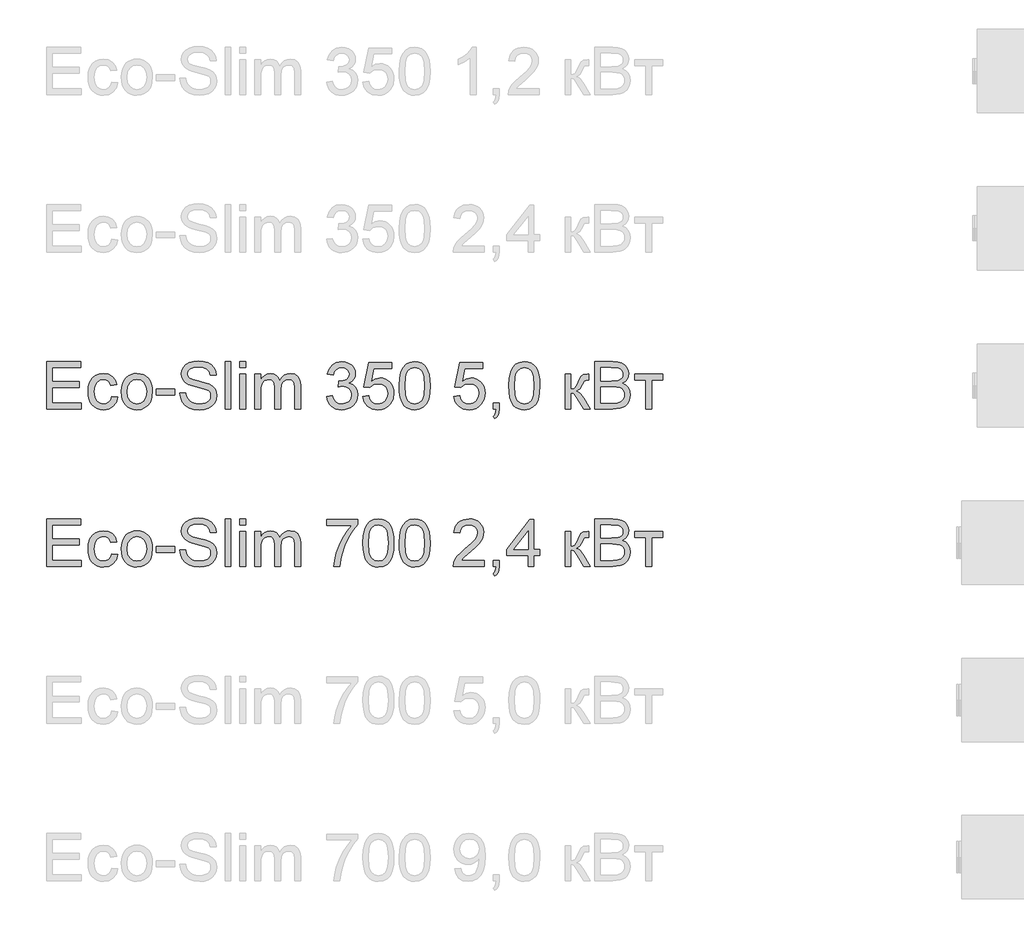
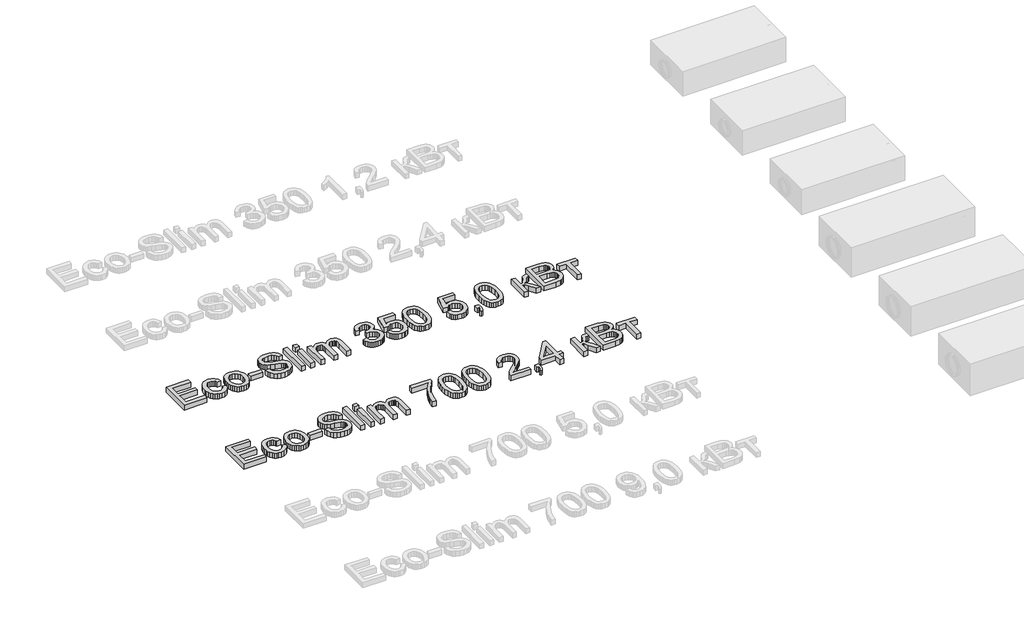
# One storey, part 40 of 74: 2 proxies.
"""IFC4 building model written with IfcOpenShell, lengths in millimetres."""

import ifcopenshell
import ifcopenshell.guid

model = None  # the IFC model being written
_history = None  # IfcOwnerHistory: only IFC2X3 demands one
_inside = {}  # id of a spatial element -> (the spatial element, [elements in it])
_under = {}  # id of a project, library or spatial element -> (it, [spatial elements below it])
_declared = {}  # id of a project -> (the project, [libraries it declares])
_typed = {}  # id of a type object -> (the type object, [elements of that type])
_made_of = {}  # id of a material, layer set ... -> (it, [elements and type objects made of it])


def new_model(schema):
    """Start an empty IFC model of exactly this schema.

    Asked for "IFC4X3", IfcOpenShell would pick the latest addendum, in which some entities
    have other attributes; the version numbers below select the first issue.
    IFC2X3 requires an IfcOwnerHistory on every rooted entity: one is made here for all.
    """
    global model, _history
    if schema == "IFC4X3":
        model = ifcopenshell.file(schema_version=(4, 3, 0, 0))
    else:
        model = ifcopenshell.file(schema=schema)
    _inside.clear()
    _under.clear()
    _declared.clear()
    _typed.clear()
    _made_of.clear()
    _history = None
    if model.schema == "IFC2X3":
        org = make("IfcOrganization", Name="unknown")
        user = make(
            "IfcPersonAndOrganization",
            ThePerson=make("IfcPerson", FamilyName="unknown"),
            TheOrganization=org,
        )
        app = make(
            "IfcApplication",
            ApplicationDeveloper=org,
            Version="unknown",
            ApplicationFullName="unknown",
            ApplicationIdentifier="unknown",
        )
        _history = make(
            "IfcOwnerHistory",
            OwningUser=user,
            OwningApplication=app,
            ChangeAction="ADDED",
            CreationDate=0,
        )
    return model


def make(cls, **values):
    """One entity of the class cls with the attributes given. An attribute that is None is left unset."""
    return model.create_entity(
        cls, **{name: value for name, value in values.items() if value is not None}
    )


def rooted(cls, **values):
    """An entity with a GlobalId (a new one), such as an element, a storey or a relation."""
    return make(cls, GlobalId=ifcopenshell.guid.new(), OwnerHistory=_history, **values)


def si_unit(unit_type, name, prefix=None):
    """IfcSIUnit, for example si_unit("LENGTHUNIT", "METRE", prefix="MILLI")."""
    return make("IfcSIUnit", UnitType=unit_type, Prefix=prefix, Name=name)


def assignment(units):
    """IfcUnitAssignment: the units of a project."""
    return None if units is None else make("IfcUnitAssignment", Units=units)


def point(xyz):
    """IfcCartesianPoint."""
    return None if xyz is None else make("IfcCartesianPoint", Coordinates=xyz)


def direction(xyz):
    """IfcDirection."""
    return None if xyz is None else make("IfcDirection", DirectionRatios=xyz)


def frame(location, z_axis=None, x_axis=None):
    """IfcAxis2Placement3D, a coordinate frame: its origin and axes. An axis left out is left unset."""
    return make(
        "IfcAxis2Placement3D",
        Location=point(location),
        Axis=direction(z_axis),
        RefDirection=direction(x_axis),
    )


def origin():
    """The frame at (0, 0, 0) with its axes left unset."""
    return frame((0.0, 0.0, 0.0))


def origin_with_axes():
    """The frame at (0, 0, 0) with the z axis (0, 0, 1) and the x axis (1, 0, 0) written out."""
    return frame((0.0, 0.0, 0.0), z_axis=(0.0, 0.0, 1.0), x_axis=(1.0, 0.0, 0.0))


def place(relative_to, where):
    """IfcLocalPlacement: puts the frame where relative to a parent placement (None: the world)."""
    return make(
        "IfcLocalPlacement", PlacementRelTo=relative_to, RelativePlacement=where
    )


def context(
    kind, dimensions, precision=None, world=None, true_north=None, identifier=None
):
    """IfcGeometricRepresentationContext, for example the 3D "Model" context."""
    return make(
        "IfcGeometricRepresentationContext",
        ContextIdentifier=identifier,
        ContextType=kind,
        CoordinateSpaceDimension=dimensions,
        Precision=precision,
        WorldCoordinateSystem=world,
        TrueNorth=true_north,
    )


def project(units=None, contexts=None):
    """IfcProject with its units and contexts."""
    return rooted(
        "IfcProject",
        Name="project",
        RepresentationContexts=contexts,
        UnitsInContext=assignment(units),
    )


def spatial(cls, under=None, at=None, **own):
    """A site, building, storey or space (cls), placed at a placement, below another one or the project."""
    s = rooted(cls, ObjectPlacement=at, **own)
    if under is not None:
        _under.setdefault(under.id(), (under, []))[1].append(s)
    return s


def polyline(points):
    """IfcPolyline through the points."""
    return make("IfcPolyline", Points=[point(p) for p in points])


def outline(outer, holes=None, kind="AREA"):
    """IfcArbitraryClosedProfileDef: a profile drawn as a closed curve; with holes, ...WithVoids."""
    if holes is None:
        return make("IfcArbitraryClosedProfileDef", ProfileType=kind, OuterCurve=outer)
    return make(
        "IfcArbitraryProfileDefWithVoids",
        ProfileType=kind,
        OuterCurve=outer,
        InnerCurves=holes,
    )


def extrude(swept, where, along, depth):
    """IfcExtrudedAreaSolid: the profile swept, set in the frame where, extruded along a direction by depth."""
    return make(
        "IfcExtrudedAreaSolid",
        SweptArea=swept,
        Position=where,
        ExtrudedDirection=direction(along),
        Depth=depth,
    )


def shape(context_of_items, identifier, shape_type, items):
    """IfcShapeRepresentation: the items that make up one representation, for example the "Body"."""
    return make(
        "IfcShapeRepresentation",
        ContextOfItems=context_of_items,
        RepresentationIdentifier=identifier,
        RepresentationType=shape_type,
        Items=items,
    )


def made_of(thing, what):
    """Note that an element or type object is made of a material, layer set ...; save() writes the relation."""
    if what is not None:
        _made_of.setdefault(what.id(), (what, []))[1].append(thing)
    return thing


def element(
    cls,
    number,
    at=None,
    inside=None,
    cuts=None,
    type_object=None,
    material=None,
    context=None,
    identifier="Body",
    shape_type=None,
    held_by="IfcProductDefinitionShape",
    body=None,
    shapes=None,
    **own,
):
    """One element of the class cls, such as IfcWall. Its Tag is "e" and its number.

    at: its placement. inside: the storey or other place that contains it. cuts: it is an
    opening in that element (IfcRelVoidsElement). A single representation is given by context,
    identifier, shape_type and body (its items); several are given by shapes. held_by: the class
    of the entity that holds the representations. save() writes the other relations.
    """
    e = rooted(cls, Tag="e%d" % number, ObjectPlacement=at, **own)
    if body is not None:
        shapes = [shape(context, identifier, shape_type, body)]
    if shapes is not None:
        e.Representation = make(held_by, Representations=shapes)
    if inside is not None:
        _inside.setdefault(inside.id(), (inside, []))[1].append(e)
    if cuts is not None:
        rooted(
            "IfcRelVoidsElement", RelatingBuildingElement=cuts, RelatedOpeningElement=e
        )
    if type_object is not None:
        _typed.setdefault(type_object.id(), (type_object, []))[1].append(e)
    return made_of(e, material)


def aggregate(whole, parts):
    """IfcRelAggregates: a whole, such as a stair, and the parts it consists of."""
    return rooted("IfcRelAggregates", RelatingObject=whole, RelatedObjects=parts)


def save(model, path):
    """Write the relations noted so far, then the file.

    IfcRelAggregates (storeys below a building ...), IfcRelContainedInSpatialStructure (elements
    in a storey), IfcRelDefinesByType, IfcRelAssociatesMaterial and IfcRelDeclares: one each for
    every whole, place, type object, material and project.
    """
    for whole, parts in _under.values():
        aggregate(whole, parts)
    for where, things in _inside.values():
        rooted(
            "IfcRelContainedInSpatialStructure",
            RelatedElements=things,
            RelatingStructure=where,
        )
    for kind, things in _typed.values():
        rooted("IfcRelDefinesByType", RelatedObjects=things, RelatingType=kind)
    for what, things in _made_of.values():
        rooted("IfcRelAssociatesMaterial", RelatedObjects=things, RelatingMaterial=what)
    for by, libraries in _declared.values():
        rooted("IfcRelDeclares", RelatingContext=by, RelatedDefinitions=libraries)
    model.write(path)


model = new_model("IFC4")

# Units and contexts
model_context = context("Model", 3, world=origin())
ifc_project = project(units=[si_unit("LENGTHUNIT", "METRE", prefix="MILLI")], contexts=[model_context])

# Site, building, storey
site = spatial("IfcSite", under=ifc_project)
building = spatial("IfcBuilding", under=site)
storey = spatial("IfcBuildingStorey", under=building, Elevation=0.0)

# Proxies
placement = place(None, origin())
element("IfcBuildingElementProxy", 1, Name="Generic Models", at=placement, inside=storey, context=model_context, shape_type="SweptSolid", body=[
    extrude(outline(polyline([(23043.6869869, -5906.2904473), (23043.6869869, -5604.9215169), (23260.2959057, -5604.9215169), (23260.2959057, -5642.5926332), (23081.3581032, -5642.5926332), (23081.3581032, -5732.0615344), (23250.8781266, -5732.0615344), (23250.8781266, -5769.7326507), (23081.3581032, -5769.7326507), (23081.3581032, -5868.619331), (23265.0047952, -5868.619331), (23265.0047952, -5906.2904473), (23043.6869869, -5906.2904473)])), origin_with_axes(), (0.0, 0.0, 1.0), 50.0),
    extrude(outline(polyline([(23458.0692663, -5826.2393252), (23495.7403826, -5830.9482147), (23485.2373516, -5864.4530674), (23465.5004826, -5889.7725458), (23438.3875796, -5905.6926391), (23405.7564466, -5910.9993369), (23384.6285237, -5909.1484306), (23365.6849003, -5903.5957117), (23348.9255761, -5894.3411803), (23334.3505513, -5881.3848363), (23322.5530356, -5864.9704015), (23314.1262386, -5845.3415978), (23309.0701605, -5822.4984252), (23307.3848011, -5796.4408836), (23310.2634777, -5762.9176368), (23318.8995075, -5733.8641562), (23333.4308463, -5710.402482), (23353.9954499, -5693.6546541), (23378.5975583, -5683.6114757), (23405.2414118, -5680.2637495), (23437.0724014, -5684.8622744), (23462.5206384, -5698.6578493), (23480.7767824, -5720.91471), (23491.0314931, -5750.8970926), (23453.3603768, -5755.6059821), (23446.5269687, -5739.170854), (23435.885982, -5727.3894331), (23422.0260278, -5720.2985076), (23405.5357174, -5717.9348658), (23381.1911264, -5722.588573), (23361.8681246, -5736.5496948), (23349.2589692, -5760.5723891), (23345.0559174, -5795.410814), (23349.1669987, -5830.7182885), (23361.5002426, -5854.8237562), (23380.4737565, -5868.7021045), (23404.5056478, -5873.3282206), (23424.0125906, -5870.4403469), (23440.0062603, -5861.7767259), (23451.6405284, -5847.1166284), (23458.0692663, -5826.2393252)])), origin_with_axes(), (0.0, 0.0, 1.0), 50.0),
    extrude(outline(polyline([(23519.2848303, -5795.6315432), (23521.3219768, -5766.9689372), (23527.4334165, -5742.2702598), (23537.6191492, -5721.5355108), (23551.8791751, -5704.7646904), (23566.2357699, -5694.0455287), (23582.0822869, -5686.3889847), (23599.4187259, -5681.7950583), (23618.245087, -5680.2637495), (23639.0281205, -5682.1284514), (23657.8199926, -5687.722557), (23674.6207035, -5697.0460663), (23689.4302531, -5710.0989793), (23701.5174759, -5726.4398377), (23710.1512064, -5745.627183), (23715.3314448, -5767.6610152), (23717.0581909, -5792.5413344), (23714.0047703, -5830.5987268), (23704.8445087, -5859.569434), (23689.8441203, -5881.2652746), (23669.2703197, -5897.4980677), (23644.8337582, -5907.6240196), (23618.245087, -5910.9993369), (23597.1585509, -5909.1415328), (23578.1919348, -5903.5681206), (23561.3452387, -5894.2791002), (23546.6184625, -5881.2744717), (23534.6599984, -5864.7749642), (23526.1182384, -5845.0013069), (23520.9931823, -5821.9534999), (23519.2848303, -5795.6315432)]), holes=[polyline([(23556.9559466, -5795.5579668), (23561.3153482, -5829.6514307), (23574.3935532, -5853.9408394), (23594.0752399, -5868.4813753), (23618.245087, -5873.3282206), (23642.3045695, -5868.4537841), (23661.949468, -5853.8304748), (23675.027673, -5829.2191694), (23679.3870746, -5794.3807444), (23675.0000818, -5761.2805619), (23661.8391034, -5737.322247), (23642.1666137, -5722.7817111), (23618.245087, -5717.9348658), (23594.0752399, -5722.763317), (23574.3935532, -5737.2486706), (23561.3153482, -5761.482897), (23556.9559466, -5795.5579668)])]), origin_with_axes(), (0.0, 0.0, 1.0), 50.0),
    extrude(outline(polyline([(23740.6026386, -5816.8215461), (23740.6026386, -5779.1504298), (23858.324877, -5779.1504298), (23858.324877, -5816.8215461), (23740.6026386, -5816.8215461)])), origin_with_axes(), (0.0, 0.0, 1.0), 50.0),
    extrude(outline(polyline([(23891.2871038, -5802.6948775), (23928.9582201, -5802.6948775), (23933.2808336, -5823.5997719), (23941.098326, -5840.402782), (23953.2936141, -5853.7385043), (23970.7496148, -5864.2415353), (23992.0867705, -5871.0565493), (24015.9255238, -5873.3282206), (24036.9131916, -5871.6083722), (24055.2888973, -5866.4488273), (24070.178921, -5858.281847), (24080.7095431, -5847.5396927), (24086.9727341, -5835.2064488), (24089.0604644, -5822.2661996), (24087.4969659, -5809.6570443), (24082.8064705, -5798.7585402), (24073.2783268, -5789.4603227), (24057.2018836, -5781.6520274), (24002.3506782, -5767.2678414), (23966.3442279, -5757.7488947), (23943.3056179, -5748.6898006), (23924.5528332, -5736.0162659), (23911.2630962, -5720.6571926), (23903.3444362, -5702.9436745), (23900.7048829, -5683.2068055), (23903.9698356, -5661.1430828), (23913.7646937, -5640.5692822), (23929.8319399, -5623.1316757), (23951.9140566, -5610.476535), (23978.4199544, -5602.7786043), (24007.7585435, -5600.2126274), (24039.5435479, -5602.8981659), (24067.3554267, -5610.9547816), (24090.2008986, -5624.2169275), (24107.0866822, -5642.5190568), (24117.7736541, -5664.7207352), (24122.0226912, -5689.6815286), (24084.3515749, -5689.6815286), (24077.4353934, -5667.2039387), (24063.0144192, -5650.9803427), (24040.481647, -5641.1578934), (24009.2300715, -5637.8837437), (23977.242732, -5641.1211052), (23955.298571, -5650.8331899), (23942.6066421, -5665.1254054), (23938.3759992, -5682.1031595), (23941.3742375, -5696.579316), (23950.3689522, -5708.2227811), (23971.6325316, -5718.6338416), (24011.8788218, -5729.2656313), (24053.4126991, -5739.363992), (24078.5390394, -5748.1747658), (24100.0141508, -5761.8415819), (24114.9961451, -5778.7089714), (24123.7977218, -5798.5929933), (24126.7315807, -5821.3097065), (24123.3562634, -5844.5322574), (24113.2303115, -5866.3752509), (24096.7675922, -5885.1740208), (24074.3819728, -5899.2639012), (24047.4622078, -5908.065478), (24017.3970518, -5910.9993369), (23980.4892906, -5907.8355517), (23950.1114348, -5898.3441962), (23925.9139966, -5882.4884823), (23907.547488, -5860.2316215), (23895.7568701, -5833.1187185), (23891.2871038, -5802.6948775)])), origin_with_axes(), (0.0, 0.0, 1.0), 50.0),
    extrude(outline(polyline([(24178.5293657, -5906.2904473), (24178.5293657, -5604.9215169), (24216.200482, -5604.9215169), (24216.200482, -5906.2904473), (24178.5293657, -5906.2904473)])), origin_with_axes(), (0.0, 0.0, 1.0), 50.0),
    extrude(outline(polyline([(24272.7071564, -5642.5926332), (24272.7071564, -5604.9215169), (24310.3782727, -5604.9215169), (24310.3782727, -5642.5926332), (24272.7071564, -5642.5926332)])), origin_with_axes(), (0.0, 0.0, 1.0), 50.0),
    extrude(outline(polyline([(24272.7071564, -5906.2904473), (24272.7071564, -5684.972639), (24310.3782727, -5684.972639), (24310.3782727, -5906.2904473), (24272.7071564, -5906.2904473)])), origin_with_axes(), (0.0, 0.0, 1.0), 50.0),
    extrude(outline(polyline([(24366.8849472, -5906.2904473), (24366.8849472, -5684.972639), (24404.5560635, -5684.972639), (24404.5560635, -5721.3929566), (24415.8868289, -5704.6635228), (24430.4549559, -5691.5577268), (24447.7638038, -5683.0872438), (24467.3167319, -5680.2637495), (24488.2676115, -5683.1424261), (24505.0614246, -5691.778456), (24517.6062006, -5705.6016219), (24525.8099691, -5724.0417069), (24539.5411646, -5704.8888506), (24555.2037405, -5691.2082389), (24572.7976969, -5682.9998718), (24592.3230338, -5680.2637495), (24620.6407504, -5684.8162892), (24641.582433, -5698.4739083), (24654.5226822, -5721.6044887), (24658.8360986, -5754.5759125), (24658.8360986, -5906.2904473), (24621.1649822, -5906.2904473), (24621.1649822, -5770.7627203), (24617.6701033, -5739.3088097), (24612.7588787, -5730.6359917), (24605.0149627, -5723.8209777), (24595.0545576, -5719.4063938), (24583.4938659, -5717.9348658), (24563.0856123, -5721.7056563), (24546.448149, -5733.0180276), (24535.384098, -5752.6445321), (24531.696081, -5781.3577218), (24531.696081, -5906.2904473), (24494.0249647, -5906.2904473), (24494.0249647, -5766.5688656), (24491.8452639, -5745.2684981), (24485.3061614, -5730.0749717), (24473.800652, -5720.9698923), (24456.7217304, -5717.9348658), (24442.2087857, -5719.9582168), (24428.8362752, -5726.0282697), (24417.7998153, -5735.9978718), (24410.2950226, -5749.7198702), (24405.9908033, -5768.7577634), (24404.5560635, -5794.67505), (24404.5560635, -5906.2904473), (24366.8849472, -5906.2904473)])), origin_with_axes(), (0.0, 0.0, 1.0), 50.0),
    extrude(outline(polyline([(24823.6472324, -5826.2393252), (24861.3183487, -5821.5304357), (24869.7520434, -5845.203642), (24882.1036814, -5861.1881147), (24898.980268, -5870.2931941), (24920.9888083, -5873.3282206), (24946.8141244, -5869.1527599), (24966.7533285, -5856.626378), (24979.5004397, -5837.9379726), (24983.7494767, -5815.2764417), (24979.5372278, -5793.7645421), (24966.9004813, -5776.3177384), (24947.7706176, -5764.7570467), (24924.0790171, -5760.9034828), (24897.6650898, -5765.0237612), (24901.8589446, -5727.3526449), (24907.8922093, -5727.7941033), (24930.4617697, -5725.0901706), (24950.6400971, -5716.9783726), (24964.8771303, -5703.2563742), (24969.6228081, -5683.7218403), (24966.1831114, -5667.452259), (24955.8640215, -5654.2544924), (24940.1186721, -5645.508098), (24920.4001971, -5642.5926332), (24900.644934, -5645.5356892), (24884.4949144, -5654.364857), (24872.7042965, -5669.0801369), (24866.0272382, -5689.6815286), (24828.3561219, -5684.972639), (24839.4477641, -5651.1458896), (24859.1846331, -5625.8907906), (24886.1871716, -5610.1638353), (24919.0758219, -5604.9215169), (24942.7582254, -5607.5058879), (24964.5092483, -5615.259001), (24982.8481658, -5627.4910773), (24996.2942527, -5643.5123382), (25004.5440065, -5661.9708173), (25007.2939244, -5681.5145483), (25004.6819622, -5699.724707), (24996.8460757, -5716.2426086), (24983.8966295, -5730.3140949), (24965.9439881, -5741.1850079), (24989.525224, -5750.7131516), (25006.9996188, -5766.9367476), (25017.8153494, -5788.9728791), (25021.420593, -5815.9386293), (25019.6179712, -5835.050099), (25014.2101059, -5852.6532524), (25005.196997, -5868.7480897), (24992.5786446, -5883.3346108), (24977.2057757, -5895.4379285), (24959.9291175, -5904.0831554), (24940.74867, -5909.2702915), (24919.6644331, -5910.9993369), (24900.6081458, -5909.5232104), (24883.2441156, -5905.0948309), (24867.5723426, -5897.7141983), (24853.5928268, -5887.3813128), (24841.8711867, -5874.7031795), (24832.973041, -5860.2868038), (24826.8983895, -5844.1321857), (24823.6472324, -5826.2393252)])), origin_with_axes(), (0.0, 0.0, 1.0), 50.0),
    extrude(outline(polyline([(25054.3828198, -5826.2393252), (25092.0539361, -5821.5304357), (25098.9701176, -5844.1459813), (25111.036647, -5860.3419861), (25128.1983421, -5870.081662), (25150.4000205, -5873.3282206), (25177.402559, -5868.8124691), (25197.6360687, -5855.2652146), (25210.2728152, -5834.2499556), (25214.4850641, -5807.3301906), (25210.5395297, -5781.9831212), (25198.7029265, -5762.59574), (25178.883284, -5750.2900873), (25150.9886317, -5746.188203), (25132.7140936, -5747.8252779), (25117.9160403, -5752.7365026), (25096.7628256, -5769.7326507), (25059.0917093, -5765.0237612), (25092.0539361, -5609.6304064), (25238.0295118, -5609.6304064), (25238.0295118, -5647.3015227), (25122.5145653, -5647.3015227), (25106.4013339, -5730.2957008), (25133.3119018, -5713.9617403), (25161.5100568, -5708.5170867), (25179.855872, -5710.2047454), (25196.7071667, -5715.2677213), (25212.0639407, -5723.7060146), (25225.9261941, -5735.5196252), (25237.4018131, -5749.9865846), (25245.5986838, -5766.3849246), (25250.5168062, -5784.714645), (25252.1561804, -5804.9757459), (25246.2516744, -5842.6468622), (25238.8710418, -5859.4406753), (25228.5381563, -5874.873325), (25212.8847774, -5890.6784552), (25194.6194363, -5901.9678339), (25173.7421331, -5908.7414611), (25150.2528677, -5910.9993369), (25113.253136, -5905.1959984), (25097.5744653, -5897.9418253), (25083.7765912, -5887.785983), (25072.2963737, -5875.2343092), (25063.5706726, -5860.7926416), (25054.3828198, -5826.2393252)])), origin_with_axes(), (0.0, 0.0, 1.0), 50.0),
    extrude(outline(polyline([(25285.1184071, -5758.0340033), (25287.8867192, -5709.7954767), (25296.1916552, -5671.324217), (25309.9504418, -5642.0316132), (25329.0803056, -5621.3290539), (25353.7192022, -5609.0234011), (25384.0050874, -5604.9215169), (25407.2184413, -5607.3495381), (25428.0037741, -5614.6336016), (25445.3861983, -5626.4885989), (25458.3908269, -5642.6294214), (25468.2132761, -5662.9181134), (25476.0491626, -5687.2167192), (25481.1811165, -5718.0728216), (25482.8917678, -5758.0340033), (25480.1510469, -5805.9966184), (25471.9288843, -5844.3759076), (25458.2528711, -5873.6961026), (25439.1505985, -5894.4814353), (25414.4565196, -5906.8698615), (25384.0050874, -5910.9993369), (25363.2565429, -5909.2059122), (25344.8624432, -5903.825638), (25328.8227882, -5894.8585143), (25315.1375779, -5882.3045413), (25302.0041907, -5859.6108207), (25292.6231998, -5831.3344908), (25286.9946053, -5797.4755517), (25285.1184071, -5758.0340033)]), holes=[polyline([(25322.7895234, -5757.9604269), (25327.2041074, -5817.2170193), (25332.7223373, -5837.4850179), (25340.4478592, -5851.5128183), (25360.1663342, -5867.87437), (25384.0050874, -5873.3282206), (25407.8438407, -5867.8559759), (25427.5623157, -5851.4392419), (25435.2878376, -5837.3884489), (25440.8060675, -5817.1250488), (25445.2206514, -5757.9604269), (25440.9532203, -5700.0374067), (25435.6189314, -5679.8360867), (25428.1509269, -5665.4748933), (25408.4692401, -5648.3131982), (25383.5636291, -5642.5926332), (25359.9823932, -5647.6326165), (25341.0364704, -5662.7525665), (25333.0534311, -5678.3875513), (25327.3512602, -5699.4671897), (25322.7895234, -5757.9604269)])]), origin_with_axes(), (0.0, 0.0, 1.0), 50.0),
    extrude(outline(polyline([(25633.576233, -5826.2393252), (25671.2473493, -5821.5304357), (25678.1635308, -5844.1459813), (25690.2300602, -5860.3419861), (25707.3917553, -5870.081662), (25729.5934337, -5873.3282206), (25756.5959722, -5868.8124691), (25776.8294819, -5855.2652146), (25789.4662284, -5834.2499556), (25793.6784773, -5807.3301906), (25789.7329429, -5781.9831212), (25777.8963397, -5762.59574), (25758.0766972, -5750.2900873), (25730.1820449, -5746.188203), (25711.9075068, -5747.8252779), (25697.1094535, -5752.7365026), (25675.9562388, -5769.7326507), (25638.2851225, -5765.0237612), (25671.2473493, -5609.6304064), (25817.222925, -5609.6304064), (25817.222925, -5647.3015227), (25701.7079785, -5647.3015227), (25685.5947471, -5730.2957008), (25712.505315, -5713.9617403), (25740.70347, -5708.5170867), (25759.0492852, -5710.2047454), (25775.9005799, -5715.2677213), (25791.2573539, -5723.7060146), (25805.1196073, -5735.5196252), (25816.5952263, -5749.9865846), (25824.792097, -5766.3849246), (25829.7102194, -5784.714645), (25831.3495936, -5804.9757459), (25825.4450876, -5842.6468622), (25818.064455, -5859.4406753), (25807.7315695, -5874.873325), (25792.0781906, -5890.6784552), (25773.8128495, -5901.9678339), (25752.9355463, -5908.7414611), (25729.4462809, -5910.9993369), (25692.4465493, -5905.1959984), (25676.7678785, -5897.9418253), (25662.9700044, -5887.785983), (25651.4897869, -5875.2343092), (25642.7640858, -5860.7926416), (25633.576233, -5826.2393252)])), origin_with_axes(), (0.0, 0.0, 1.0), 50.0),
    extrude(outline(polyline([(25883.1473785, -5906.2904473), (25883.1473785, -5868.619331), (25920.8184948, -5868.619331), (25920.8184948, -5906.2904473), (25919.1262376, -5927.8391352), (25914.0494661, -5944.8076922), (25905.2938746, -5957.8215178), (25892.5651576, -5967.5060113), (25883.1473785, -5953.3793427), (25891.3143588, -5946.5551317), (25896.9797415, -5937.1189585), (25901.9093603, -5906.2904473), (25883.1473785, -5906.2904473)])), origin_with_axes(), (0.0, 0.0, 1.0), 50.0),
    extrude(outline(polyline([(25982.0340588, -5758.0340033), (25984.8023708, -5709.7954767), (25993.1073069, -5671.324217), (26006.8660935, -5642.0316132), (26025.9959572, -5621.3290539), (26050.6348539, -5609.0234011), (26080.9207391, -5604.9215169), (26104.134093, -5607.3495381), (26124.9194257, -5614.6336016), (26142.30185, -5626.4885989), (26155.3064785, -5642.6294214), (26165.1289278, -5662.9181134), (26172.9648143, -5687.2167192), (26178.0967681, -5718.0728216), (26179.8074194, -5758.0340033), (26177.0666985, -5805.9966184), (26168.844536, -5844.3759076), (26155.1685228, -5873.6961026), (26136.0662502, -5894.4814353), (26111.3721713, -5906.8698615), (26080.9207391, -5910.9993369), (26060.1721946, -5909.2059122), (26041.7780948, -5903.825638), (26025.7384398, -5894.8585143), (26012.0532296, -5882.3045413), (25998.9198424, -5859.6108207), (25989.5388515, -5831.3344908), (25983.910257, -5797.4755517), (25982.0340588, -5758.0340033)]), holes=[polyline([(26019.7051751, -5757.9604269), (26024.1197591, -5817.2170193), (26029.637989, -5837.4850179), (26037.3635109, -5851.5128183), (26057.0819858, -5867.87437), (26080.9207391, -5873.3282206), (26104.7594924, -5867.8559759), (26124.4779673, -5851.4392419), (26132.2034892, -5837.3884489), (26137.7217192, -5817.1250488), (26142.1363031, -5757.9604269), (26137.868872, -5700.0374067), (26132.534583, -5679.8360867), (26125.0665785, -5665.4748933), (26105.3848918, -5648.3131982), (26080.4792807, -5642.5926332), (26056.8980448, -5647.6326165), (26037.9521221, -5662.7525665), (26029.9690828, -5678.3875513), (26024.2669119, -5699.4671897), (26019.7051751, -5757.9604269)])]), origin_with_axes(), (0.0, 0.0, 1.0), 50.0),
    extrude(outline(polyline([(26339.9096637, -5684.972639), (26377.58078, -5684.972639), (26377.58078, -5779.1504298), (26392.9030651, -5777.4581726), (26402.8174849, -5772.3814011), (26411.5914705, -5759.1376493), (26423.492453, -5732.9444512), (26440.6725422, -5698.9153667), (26455.8292804, -5687.8421186), (26483.3836418, -5684.972639), (26490.5941289, -5684.972639), (26490.5941289, -5722.8644845), (26480.4405859, -5722.6437553), (26462.0464861, -5726.6168809), (26449.0970399, -5751.4121274), (26433.9035135, -5778.2307248), (26412.603146, -5791.364112), (26424.5409167, -5796.6662113), (26436.3683228, -5806.0242096), (26459.6920413, -5836.907903), (26500.011908, -5906.2904473), (26457.1904438, -5906.2904473), (26417.6799175, -5838.379431), (26397.8142898, -5809.6478472), (26388.5252694, -5804.4331199), (26377.58078, -5802.6948775), (26377.58078, -5906.2904473), (26339.9096637, -5906.2904473), (26339.9096637, -5684.972639)])), origin_with_axes(), (0.0, 0.0, 1.0), 50.0),
    extrude(outline(polyline([(26528.2652452, -5906.2904473), (26528.2652452, -5604.9215169), (26643.2651569, -5604.9215169), (26674.8938115, -5607.1380059), (26699.5878904, -5613.787473), (26718.5154191, -5625.035465), (26732.8444228, -5641.0475288), (26741.8667287, -5659.883087), (26744.874164, -5679.6015619), (26742.3449753, -5697.7473413), (26734.7574091, -5714.8078689), (26722.0562833, -5729.7346808), (26704.1864153, -5741.4793135), (26725.5327681, -5752.626138), (26741.3057087, -5769.5854979), (26751.0453845, -5791.2353533), (26754.2919431, -5816.4536641), (26752.0754541, -5837.4689231), (26745.425987, -5856.9574718), (26735.5023702, -5873.5305557), (26723.4634319, -5885.7994202), (26708.7205609, -5894.6837704), (26690.6851461, -5901.1033112), (26642.3822401, -5906.2904473), (26528.2652452, -5906.2904473)]), holes=[polyline([(26565.9363616, -5868.619331), (26643.1915805, -5868.619331), (26671.1506122, -5867.1478031), (26694.8054245, -5858.9440346), (26710.4771975, -5842.2054038), (26715.0849194, -5830.3779976), (26716.6208268, -5816.8215461), (26714.818205, -5801.0761967), (26709.4103397, -5787.5381393), (26699.9649694, -5776.9523349), (26686.049833, -5770.0637445), (26666.3405551, -5766.283757), (26639.5127606, -5765.0237612), (26565.9363616, -5765.0237612), (26565.9363616, -5868.619331)]), polyline([(26565.9363616, -5727.3526449), (26634.7302946, -5727.3526449), (26674.9030085, -5724.1152833), (26688.9652978, -5718.5326741), (26699.0728556, -5710.1725557), (26705.1704997, -5699.163687), (26707.2030477, -5685.6348266), (26705.3084554, -5672.5014394), (26699.6246786, -5661.0603094), (26690.4092346, -5652.1299739), (26677.9196409, -5646.5289705), (26629.5063703, -5642.5926332), (26565.9363616, -5642.5926332), (26565.9363616, -5727.3526449)])]), origin_with_axes(), (0.0, 0.0, 1.0), 50.0),
    extrude(outline(polyline([(26782.5452803, -5684.972639), (26961.4830828, -5684.972639), (26961.4830828, -5722.6437553), (26890.8497397, -5722.6437553), (26890.8497397, -5906.2904473), (26853.1786234, -5906.2904473), (26853.1786234, -5722.6437553), (26782.5452803, -5722.6437553), (26782.5452803, -5684.972639)])), origin_with_axes(), (0.0, 0.0, 1.0), 50.0),
])
element("IfcBuildingElementProxy", 2, Name="Generic Models", at=placement, inside=storey, context=model_context, shape_type="SweptSolid", body=[
    extrude(outline(polyline([(23043.6869869, -6906.2904473), (23043.6869869, -6604.9215169), (23260.2959057, -6604.9215169), (23260.2959057, -6642.5926332), (23081.3581032, -6642.5926332), (23081.3581032, -6732.0615344), (23250.8781266, -6732.0615344), (23250.8781266, -6769.7326507), (23081.3581032, -6769.7326507), (23081.3581032, -6868.619331), (23265.0047952, -6868.619331), (23265.0047952, -6906.2904473), (23043.6869869, -6906.2904473)])), origin_with_axes(), (0.0, 0.0, 1.0), 50.0),
    extrude(outline(polyline([(23458.0692663, -6826.2393252), (23495.7403826, -6830.9482147), (23485.2373516, -6864.4530674), (23465.5004826, -6889.7725458), (23438.3875796, -6905.6926391), (23405.7564466, -6910.9993369), (23384.6285237, -6909.1484306), (23365.6849003, -6903.5957117), (23348.9255761, -6894.3411803), (23334.3505513, -6881.3848363), (23322.5530356, -6864.9704015), (23314.1262386, -6845.3415978), (23309.0701605, -6822.4984252), (23307.3848011, -6796.4408836), (23310.2634777, -6762.9176368), (23318.8995075, -6733.8641562), (23333.4308463, -6710.402482), (23353.9954499, -6693.6546541), (23378.5975583, -6683.6114757), (23405.2414118, -6680.2637495), (23437.0724014, -6684.8622744), (23462.5206384, -6698.6578493), (23480.7767824, -6720.91471), (23491.0314931, -6750.8970926), (23453.3603768, -6755.6059821), (23446.5269687, -6739.170854), (23435.885982, -6727.3894331), (23422.0260278, -6720.2985076), (23405.5357174, -6717.9348658), (23381.1911264, -6722.588573), (23361.8681246, -6736.5496948), (23349.2589692, -6760.5723891), (23345.0559174, -6795.410814), (23349.1669987, -6830.7182885), (23361.5002426, -6854.8237562), (23380.4737565, -6868.7021045), (23404.5056478, -6873.3282206), (23424.0125906, -6870.4403469), (23440.0062603, -6861.7767259), (23451.6405284, -6847.1166284), (23458.0692663, -6826.2393252)])), origin_with_axes(), (0.0, 0.0, 1.0), 50.0),
    extrude(outline(polyline([(23519.2848303, -6795.6315432), (23521.3219768, -6766.9689372), (23527.4334165, -6742.2702598), (23537.6191492, -6721.5355108), (23551.8791751, -6704.7646904), (23566.2357699, -6694.0455287), (23582.0822869, -6686.3889847), (23599.4187259, -6681.7950583), (23618.245087, -6680.2637495), (23639.0281205, -6682.1284514), (23657.8199926, -6687.722557), (23674.6207035, -6697.0460663), (23689.4302531, -6710.0989793), (23701.5174759, -6726.4398377), (23710.1512064, -6745.627183), (23715.3314448, -6767.6610152), (23717.0581909, -6792.5413344), (23714.0047703, -6830.5987268), (23704.8445087, -6859.569434), (23689.8441203, -6881.2652746), (23669.2703197, -6897.4980677), (23644.8337582, -6907.6240196), (23618.245087, -6910.9993369), (23597.1585509, -6909.1415328), (23578.1919348, -6903.5681206), (23561.3452387, -6894.2791002), (23546.6184625, -6881.2744717), (23534.6599984, -6864.7749642), (23526.1182384, -6845.0013069), (23520.9931823, -6821.9534999), (23519.2848303, -6795.6315432)]), holes=[polyline([(23556.9559466, -6795.5579668), (23561.3153482, -6829.6514307), (23574.3935532, -6853.9408394), (23594.0752399, -6868.4813753), (23618.245087, -6873.3282206), (23642.3045695, -6868.4537841), (23661.949468, -6853.8304748), (23675.027673, -6829.2191694), (23679.3870746, -6794.3807444), (23675.0000818, -6761.2805619), (23661.8391034, -6737.322247), (23642.1666137, -6722.7817111), (23618.245087, -6717.9348658), (23594.0752399, -6722.763317), (23574.3935532, -6737.2486706), (23561.3153482, -6761.482897), (23556.9559466, -6795.5579668)])]), origin_with_axes(), (0.0, 0.0, 1.0), 50.0),
    extrude(outline(polyline([(23740.6026386, -6816.8215461), (23740.6026386, -6779.1504298), (23858.324877, -6779.1504298), (23858.324877, -6816.8215461), (23740.6026386, -6816.8215461)])), origin_with_axes(), (0.0, 0.0, 1.0), 50.0),
    extrude(outline(polyline([(23891.2871038, -6802.6948775), (23928.9582201, -6802.6948775), (23933.2808336, -6823.5997719), (23941.098326, -6840.402782), (23953.2936141, -6853.7385043), (23970.7496148, -6864.2415353), (23992.0867705, -6871.0565493), (24015.9255238, -6873.3282206), (24036.9131916, -6871.6083722), (24055.2888973, -6866.4488273), (24070.178921, -6858.281847), (24080.7095431, -6847.5396927), (24086.9727341, -6835.2064488), (24089.0604644, -6822.2661996), (24087.4969659, -6809.6570443), (24082.8064705, -6798.7585402), (24073.2783268, -6789.4603227), (24057.2018836, -6781.6520274), (24002.3506782, -6767.2678414), (23966.3442279, -6757.7488947), (23943.3056179, -6748.6898006), (23924.5528332, -6736.0162659), (23911.2630962, -6720.6571926), (23903.3444362, -6702.9436745), (23900.7048829, -6683.2068055), (23903.9698356, -6661.1430828), (23913.7646937, -6640.5692822), (23929.8319399, -6623.1316757), (23951.9140566, -6610.476535), (23978.4199544, -6602.7786043), (24007.7585435, -6600.2126274), (24039.5435479, -6602.8981659), (24067.3554267, -6610.9547816), (24090.2008986, -6624.2169275), (24107.0866822, -6642.5190568), (24117.7736541, -6664.7207352), (24122.0226912, -6689.6815286), (24084.3515749, -6689.6815286), (24077.4353934, -6667.2039387), (24063.0144192, -6650.9803427), (24040.481647, -6641.1578934), (24009.2300715, -6637.8837437), (23977.242732, -6641.1211052), (23955.298571, -6650.8331899), (23942.6066421, -6665.1254054), (23938.3759992, -6682.1031595), (23941.3742375, -6696.579316), (23950.3689522, -6708.2227811), (23971.6325316, -6718.6338416), (24011.8788218, -6729.2656313), (24053.4126991, -6739.363992), (24078.5390394, -6748.1747658), (24100.0141508, -6761.8415819), (24114.9961451, -6778.7089714), (24123.7977218, -6798.5929933), (24126.7315807, -6821.3097065), (24123.3562634, -6844.5322574), (24113.2303115, -6866.3752509), (24096.7675922, -6885.1740208), (24074.3819728, -6899.2639012), (24047.4622078, -6908.065478), (24017.3970518, -6910.9993369), (23980.4892906, -6907.8355517), (23950.1114348, -6898.3441962), (23925.9139966, -6882.4884823), (23907.547488, -6860.2316215), (23895.7568701, -6833.1187185), (23891.2871038, -6802.6948775)])), origin_with_axes(), (0.0, 0.0, 1.0), 50.0),
    extrude(outline(polyline([(24178.5293657, -6906.2904473), (24178.5293657, -6604.9215169), (24216.200482, -6604.9215169), (24216.200482, -6906.2904473), (24178.5293657, -6906.2904473)])), origin_with_axes(), (0.0, 0.0, 1.0), 50.0),
    extrude(outline(polyline([(24272.7071564, -6642.5926332), (24272.7071564, -6604.9215169), (24310.3782727, -6604.9215169), (24310.3782727, -6642.5926332), (24272.7071564, -6642.5926332)])), origin_with_axes(), (0.0, 0.0, 1.0), 50.0),
    extrude(outline(polyline([(24272.7071564, -6906.2904473), (24272.7071564, -6684.972639), (24310.3782727, -6684.972639), (24310.3782727, -6906.2904473), (24272.7071564, -6906.2904473)])), origin_with_axes(), (0.0, 0.0, 1.0), 50.0),
    extrude(outline(polyline([(24366.8849472, -6906.2904473), (24366.8849472, -6684.972639), (24404.5560635, -6684.972639), (24404.5560635, -6721.3929566), (24415.8868289, -6704.6635228), (24430.4549559, -6691.5577268), (24447.7638038, -6683.0872438), (24467.3167319, -6680.2637495), (24488.2676115, -6683.1424261), (24505.0614246, -6691.778456), (24517.6062006, -6705.6016219), (24525.8099691, -6724.0417069), (24539.5411646, -6704.8888506), (24555.2037405, -6691.2082389), (24572.7976969, -6682.9998718), (24592.3230338, -6680.2637495), (24620.6407504, -6684.8162892), (24641.582433, -6698.4739083), (24654.5226822, -6721.6044887), (24658.8360986, -6754.5759125), (24658.8360986, -6906.2904473), (24621.1649822, -6906.2904473), (24621.1649822, -6770.7627203), (24617.6701033, -6739.3088097), (24612.7588787, -6730.6359917), (24605.0149627, -6723.8209777), (24595.0545576, -6719.4063938), (24583.4938659, -6717.9348658), (24563.0856123, -6721.7056563), (24546.448149, -6733.0180276), (24535.384098, -6752.6445321), (24531.696081, -6781.3577218), (24531.696081, -6906.2904473), (24494.0249647, -6906.2904473), (24494.0249647, -6766.5688656), (24491.8452639, -6745.2684981), (24485.3061614, -6730.0749717), (24473.800652, -6720.9698923), (24456.7217304, -6717.9348658), (24442.2087857, -6719.9582168), (24428.8362752, -6726.0282697), (24417.7998153, -6735.9978718), (24410.2950226, -6749.7198702), (24405.9908033, -6768.7577634), (24404.5560635, -6794.67505), (24404.5560635, -6906.2904473), (24366.8849472, -6906.2904473)])), origin_with_axes(), (0.0, 0.0, 1.0), 50.0),
    extrude(outline(polyline([(24823.6472324, -6647.3015227), (24823.6472324, -6609.6304064), (25021.420593, -6609.6304064), (25021.420593, -6640.0910356), (24993.2316351, -6675.7663921), (24965.3185887, -6721.1354392), (24940.6980862, -6772.0595044), (24922.3867599, -6824.3999152), (24913.4104392, -6863.5609536), (24908.4072441, -6906.2904473), (24870.7361278, -6906.2904473), (24874.8104209, -6867.4605027), (24885.708925, -6821.3097065), (24903.1373345, -6772.3905981), (24926.8013438, -6725.2557175), (24954.4292817, -6682.6457854), (24983.7494767, -6647.3015227), (24823.6472324, -6647.3015227)])), origin_with_axes(), (0.0, 0.0, 1.0), 50.0),
    extrude(outline(polyline([(25054.3828198, -6758.0340033), (25057.1511318, -6709.7954767), (25065.4560678, -6671.324217), (25079.2148544, -6642.0316132), (25098.3447182, -6621.3290539), (25122.9836148, -6609.0234011), (25153.2695001, -6604.9215169), (25176.482854, -6607.3495381), (25197.2681867, -6614.6336016), (25214.650611, -6626.4885989), (25227.6552395, -6642.6294214), (25237.4776888, -6662.9181134), (25245.3135753, -6687.2167192), (25250.4455291, -6718.0728216), (25252.1561804, -6758.0340033), (25249.4154595, -6805.9966184), (25241.1932969, -6844.3759076), (25227.5172837, -6873.6961026), (25208.4150111, -6894.4814353), (25183.7209322, -6906.8698615), (25153.2695001, -6910.9993369), (25132.5209555, -6909.2059122), (25114.1268558, -6903.825638), (25098.0872008, -6894.8585143), (25084.4019906, -6882.3045413), (25071.2686033, -6859.6108207), (25061.8876125, -6831.3344908), (25056.2590179, -6797.4755517), (25054.3828198, -6758.0340033)]), holes=[polyline([(25092.0539361, -6757.9604269), (25096.46852, -6817.2170193), (25101.9867499, -6837.4850179), (25109.7122718, -6851.5128183), (25129.4307468, -6867.87437), (25153.2695001, -6873.3282206), (25177.1082534, -6867.8559759), (25196.8267283, -6851.4392419), (25204.5522502, -6837.3884489), (25210.0704801, -6817.1250488), (25214.4850641, -6757.9604269), (25210.2176329, -6700.0374067), (25204.883344, -6679.8360867), (25197.4153395, -6665.4748933), (25177.7336528, -6648.3131982), (25152.8280417, -6642.5926332), (25129.2468058, -6647.6326165), (25110.300883, -6662.7525665), (25102.3178437, -6678.3875513), (25096.6156728, -6699.4671897), (25092.0539361, -6757.9604269)])]), origin_with_axes(), (0.0, 0.0, 1.0), 50.0),
    extrude(outline(polyline([(25285.1184071, -6758.0340033), (25287.8867192, -6709.7954767), (25296.1916552, -6671.324217), (25309.9504418, -6642.0316132), (25329.0803056, -6621.3290539), (25353.7192022, -6609.0234011), (25384.0050874, -6604.9215169), (25407.2184413, -6607.3495381), (25428.0037741, -6614.6336016), (25445.3861983, -6626.4885989), (25458.3908269, -6642.6294214), (25468.2132761, -6662.9181134), (25476.0491626, -6687.2167192), (25481.1811165, -6718.0728216), (25482.8917678, -6758.0340033), (25480.1510469, -6805.9966184), (25471.9288843, -6844.3759076), (25458.2528711, -6873.6961026), (25439.1505985, -6894.4814353), (25414.4565196, -6906.8698615), (25384.0050874, -6910.9993369), (25363.2565429, -6909.2059122), (25344.8624432, -6903.825638), (25328.8227882, -6894.8585143), (25315.1375779, -6882.3045413), (25302.0041907, -6859.6108207), (25292.6231998, -6831.3344908), (25286.9946053, -6797.4755517), (25285.1184071, -6758.0340033)]), holes=[polyline([(25322.7895234, -6757.9604269), (25327.2041074, -6817.2170193), (25332.7223373, -6837.4850179), (25340.4478592, -6851.5128183), (25360.1663342, -6867.87437), (25384.0050874, -6873.3282206), (25407.8438407, -6867.8559759), (25427.5623157, -6851.4392419), (25435.2878376, -6837.3884489), (25440.8060675, -6817.1250488), (25445.2206514, -6757.9604269), (25440.9532203, -6700.0374067), (25435.6189314, -6679.8360867), (25428.1509269, -6665.4748933), (25408.4692401, -6648.3131982), (25383.5636291, -6642.5926332), (25359.9823932, -6647.6326165), (25341.0364704, -6662.7525665), (25333.0534311, -6678.3875513), (25327.3512602, -6699.4671897), (25322.7895234, -6757.9604269)])]), origin_with_axes(), (0.0, 0.0, 1.0), 50.0),
    extrude(outline(polyline([(25826.640704, -6868.619331), (25826.640704, -6906.2904473), (25628.8673434, -6906.2904473), (25632.9140454, -6880.3179785), (25642.2030658, -6860.0200894), (25655.7963055, -6840.3292056), (25675.4595981, -6819.7186168), (25702.9587773, -6796.6616128), (25743.6097377, -6760.553995), (25768.000314, -6733.9009444), (25780.1956022, -6712.2694831), (25784.2606982, -6691.226633), (25780.4255284, -6672.3634837), (25768.920019, -6656.6825136), (25751.2340921, -6646.1151033), (25728.8576697, -6642.5926332), (25705.3592073, -6646.0323299), (25687.1030633, -6656.3514198), (25675.3216424, -6672.7405627), (25671.2473493, -6694.3904181), (25633.576233, -6689.6815286), (25642.7089035, -6653.242817), (25651.2552621, -6638.7068796), (25662.4549696, -6626.6265546), (25676.0505086, -6617.1306006), (25691.7843617, -6610.3477763), (25729.6670101, -6604.9215169), (25749.8568339, -6606.4298331), (25767.8255701, -6610.9547816), (25783.5732187, -6618.4963625), (25797.0997798, -6629.0545758), (25807.963795, -6641.8476722), (25815.7238058, -6656.0939024), (25820.3798123, -6671.7932666), (25821.9318145, -6688.9457646), (25820.2579514, -6706.9627853), (25815.2363622, -6724.6671063), (25806.3244209, -6742.67493), (25792.9795015, -6761.6024586), (25771.7067251, -6784.1996102), (25739.0112128, -6813.2163026), (25695.6747138, -6849.4526791), (25678.6785656, -6868.619331), (25826.640704, -6868.619331)])), origin_with_axes(), (0.0, 0.0, 1.0), 50.0),
    extrude(outline(polyline([(25883.1473785, -6906.2904473), (25883.1473785, -6868.619331), (25920.8184948, -6868.619331), (25920.8184948, -6906.2904473), (25919.1262376, -6927.8391352), (25914.0494661, -6944.8076922), (25905.2938746, -6957.8215178), (25892.5651576, -6967.5060113), (25883.1473785, -6953.3793427), (25891.3143588, -6946.5551317), (25896.9797415, -6937.1189585), (25901.9093603, -6906.2904473), (25883.1473785, -6906.2904473)])), origin_with_axes(), (0.0, 0.0, 1.0), 50.0),
    extrude(outline(polyline([(26104.4651868, -6906.2904473), (26104.4651868, -6835.6571043), (25967.9073902, -6835.6571043), (25967.9073902, -6797.985988), (26113.8829659, -6609.6304064), (26142.1363031, -6609.6304064), (26142.1363031, -6797.985988), (26179.8074194, -6797.985988), (26179.8074194, -6835.6571043), (26142.1363031, -6835.6571043), (26142.1363031, -6906.2904473), (26104.4651868, -6906.2904473)]), holes=[polyline([(26104.4651868, -6797.985988), (26104.4651868, -6681.5881247), (26014.2605216, -6797.985988), (26104.4651868, -6797.985988)])]), origin_with_axes(), (0.0, 0.0, 1.0), 50.0),
    extrude(outline(polyline([(26339.9096637, -6684.972639), (26377.58078, -6684.972639), (26377.58078, -6779.1504298), (26392.9030651, -6777.4581726), (26402.8174849, -6772.3814011), (26411.5914705, -6759.1376493), (26423.492453, -6732.9444512), (26440.6725422, -6698.9153667), (26455.8292804, -6687.8421186), (26483.3836418, -6684.972639), (26490.5941289, -6684.972639), (26490.5941289, -6722.8644845), (26480.4405859, -6722.6437553), (26462.0464861, -6726.6168809), (26449.0970399, -6751.4121274), (26433.9035135, -6778.2307248), (26412.603146, -6791.364112), (26424.5409167, -6796.6662113), (26436.3683228, -6806.0242096), (26459.6920413, -6836.907903), (26500.011908, -6906.2904473), (26457.1904438, -6906.2904473), (26417.6799175, -6838.379431), (26397.8142898, -6809.6478472), (26388.5252694, -6804.4331199), (26377.58078, -6802.6948775), (26377.58078, -6906.2904473), (26339.9096637, -6906.2904473), (26339.9096637, -6684.972639)])), origin_with_axes(), (0.0, 0.0, 1.0), 50.0),
    extrude(outline(polyline([(26528.2652452, -6906.2904473), (26528.2652452, -6604.9215169), (26643.2651569, -6604.9215169), (26674.8938115, -6607.1380059), (26699.5878904, -6613.787473), (26718.5154191, -6625.035465), (26732.8444228, -6641.0475288), (26741.8667287, -6659.883087), (26744.874164, -6679.6015619), (26742.3449753, -6697.7473413), (26734.7574091, -6714.8078689), (26722.0562833, -6729.7346808), (26704.1864153, -6741.4793135), (26725.5327681, -6752.626138), (26741.3057087, -6769.5854979), (26751.0453845, -6791.2353533), (26754.2919431, -6816.4536641), (26752.0754541, -6837.4689231), (26745.425987, -6856.9574718), (26735.5023702, -6873.5305557), (26723.4634319, -6885.7994202), (26708.7205609, -6894.6837704), (26690.6851461, -6901.1033112), (26642.3822401, -6906.2904473), (26528.2652452, -6906.2904473)]), holes=[polyline([(26565.9363616, -6727.3526449), (26634.7302946, -6727.3526449), (26674.9030085, -6724.1152833), (26688.9652978, -6718.5326741), (26699.0728556, -6710.1725557), (26705.1704997, -6699.163687), (26707.2030477, -6685.6348266), (26705.3084554, -6672.5014394), (26699.6246786, -6661.0603094), (26690.4092346, -6652.1299739), (26677.9196409, -6646.5289705), (26629.5063703, -6642.5926332), (26565.9363616, -6642.5926332), (26565.9363616, -6727.3526449)]), polyline([(26565.9363616, -6868.619331), (26643.1915805, -6868.619331), (26671.1506122, -6867.1478031), (26694.8054245, -6858.9440346), (26710.4771975, -6842.2054038), (26715.0849194, -6830.3779976), (26716.6208268, -6816.8215461), (26714.818205, -6801.0761967), (26709.4103397, -6787.5381393), (26699.9649694, -6776.9523349), (26686.049833, -6770.0637445), (26666.3405551, -6766.283757), (26639.5127606, -6765.0237612), (26565.9363616, -6765.0237612), (26565.9363616, -6868.619331)])]), origin_with_axes(), (0.0, 0.0, 1.0), 50.0),
    extrude(outline(polyline([(26782.5452803, -6684.972639), (26961.4830828, -6684.972639), (26961.4830828, -6722.6437553), (26890.8497397, -6722.6437553), (26890.8497397, -6906.2904473), (26853.1786234, -6906.2904473), (26853.1786234, -6722.6437553), (26782.5452803, -6722.6437553), (26782.5452803, -6684.972639)])), origin_with_axes(), (0.0, 0.0, 1.0), 50.0),
])

save(model, "model.ifc")
